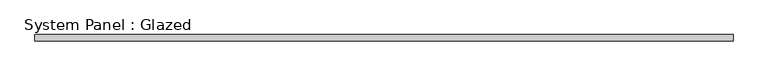
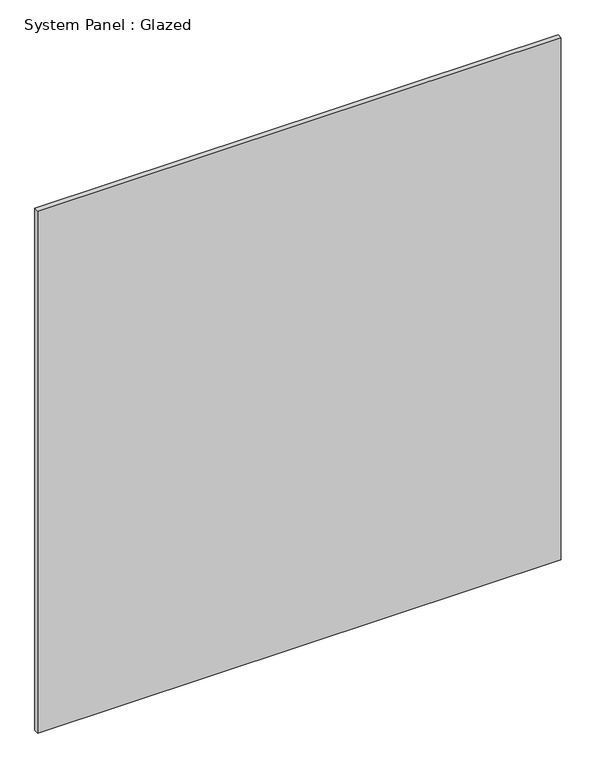
"""IFC4 building model written with IfcOpenShell, lengths in millimetres: plate geometry, System Panel : Glazed."""

import ifcopenshell
import ifcopenshell.guid

model = None  # the IFC model being written
_history = None  # IfcOwnerHistory: only IFC2X3 demands one
_inside = {}  # id of a spatial element -> (the spatial element, [elements in it])
_under = {}  # id of a project, library or spatial element -> (it, [spatial elements below it])
_declared = {}  # id of a project -> (the project, [libraries it declares])
_typed = {}  # id of a type object -> (the type object, [elements of that type])
_made_of = {}  # id of a material, layer set ... -> (it, [elements and type objects made of it])


def new_model(schema):
    """Start an empty IFC model of exactly this schema.

    Asked for "IFC4X3", IfcOpenShell would pick the latest addendum, in which some entities
    have other attributes; the version numbers below select the first issue.
    IFC2X3 requires an IfcOwnerHistory on every rooted entity: one is made here for all.
    """
    global model, _history
    if schema == "IFC4X3":
        model = ifcopenshell.file(schema_version=(4, 3, 0, 0))
    else:
        model = ifcopenshell.file(schema=schema)
    _inside.clear()
    _under.clear()
    _declared.clear()
    _typed.clear()
    _made_of.clear()
    _history = None
    if model.schema == "IFC2X3":
        org = make("IfcOrganization", Name="unknown")
        user = make(
            "IfcPersonAndOrganization",
            ThePerson=make("IfcPerson", FamilyName="unknown"),
            TheOrganization=org,
        )
        app = make(
            "IfcApplication",
            ApplicationDeveloper=org,
            Version="unknown",
            ApplicationFullName="unknown",
            ApplicationIdentifier="unknown",
        )
        _history = make(
            "IfcOwnerHistory",
            OwningUser=user,
            OwningApplication=app,
            ChangeAction="ADDED",
            CreationDate=0,
        )
    return model


def make(cls, **values):
    """One entity of the class cls with the attributes given. An attribute that is None is left unset."""
    return model.create_entity(
        cls, **{name: value for name, value in values.items() if value is not None}
    )


def rooted(cls, **values):
    """An entity with a GlobalId (a new one), such as an element, a storey or a relation."""
    return make(cls, GlobalId=ifcopenshell.guid.new(), OwnerHistory=_history, **values)


def si_unit(unit_type, name, prefix=None):
    """IfcSIUnit, for example si_unit("LENGTHUNIT", "METRE", prefix="MILLI")."""
    return make("IfcSIUnit", UnitType=unit_type, Prefix=prefix, Name=name)


def assignment(units):
    """IfcUnitAssignment: the units of a project."""
    return None if units is None else make("IfcUnitAssignment", Units=units)


def point(xyz):
    """IfcCartesianPoint."""
    return None if xyz is None else make("IfcCartesianPoint", Coordinates=xyz)


def direction(xyz):
    """IfcDirection."""
    return None if xyz is None else make("IfcDirection", DirectionRatios=xyz)


def frame(location, z_axis=None, x_axis=None):
    """IfcAxis2Placement3D, a coordinate frame: its origin and axes. An axis left out is left unset."""
    return make(
        "IfcAxis2Placement3D",
        Location=point(location),
        Axis=direction(z_axis),
        RefDirection=direction(x_axis),
    )


def origin():
    """The frame at (0, 0, 0) with its axes left unset."""
    return frame((0.0, 0.0, 0.0))


def origin_with_axes():
    """The frame at (0, 0, 0) with the z axis (0, 0, 1) and the x axis (1, 0, 0) written out."""
    return frame((0.0, 0.0, 0.0), z_axis=(0.0, 0.0, 1.0), x_axis=(1.0, 0.0, 0.0))


def place(relative_to, where):
    """IfcLocalPlacement: puts the frame where relative to a parent placement (None: the world)."""
    return make(
        "IfcLocalPlacement", PlacementRelTo=relative_to, RelativePlacement=where
    )


def context(
    kind, dimensions, precision=None, world=None, true_north=None, identifier=None
):
    """IfcGeometricRepresentationContext, for example the 3D "Model" context."""
    return make(
        "IfcGeometricRepresentationContext",
        ContextIdentifier=identifier,
        ContextType=kind,
        CoordinateSpaceDimension=dimensions,
        Precision=precision,
        WorldCoordinateSystem=world,
        TrueNorth=true_north,
    )


def project(units=None, contexts=None):
    """IfcProject with its units and contexts."""
    return rooted(
        "IfcProject",
        Name="project",
        RepresentationContexts=contexts,
        UnitsInContext=assignment(units),
    )


def spatial(cls, under=None, at=None, **own):
    """A site, building, storey or space (cls), placed at a placement, below another one or the project."""
    s = rooted(cls, ObjectPlacement=at, **own)
    if under is not None:
        _under.setdefault(under.id(), (under, []))[1].append(s)
    return s


def polyline(points):
    """IfcPolyline through the points."""
    return make("IfcPolyline", Points=[point(p) for p in points])


def outline(outer, holes=None, kind="AREA"):
    """IfcArbitraryClosedProfileDef: a profile drawn as a closed curve; with holes, ...WithVoids."""
    if holes is None:
        return make("IfcArbitraryClosedProfileDef", ProfileType=kind, OuterCurve=outer)
    return make(
        "IfcArbitraryProfileDefWithVoids",
        ProfileType=kind,
        OuterCurve=outer,
        InnerCurves=holes,
    )


def extrude(swept, where, along, depth):
    """IfcExtrudedAreaSolid: the profile swept, set in the frame where, extruded along a direction by depth."""
    return make(
        "IfcExtrudedAreaSolid",
        SweptArea=swept,
        Position=where,
        ExtrudedDirection=direction(along),
        Depth=depth,
    )


def shape(context_of_items, identifier, shape_type, items):
    """IfcShapeRepresentation: the items that make up one representation, for example the "Body"."""
    return make(
        "IfcShapeRepresentation",
        ContextOfItems=context_of_items,
        RepresentationIdentifier=identifier,
        RepresentationType=shape_type,
        Items=items,
    )


def source(mapping_origin, context_of_items, identifier, shape_type, items):
    """IfcRepresentationMap: a shape defined once, which mapped items show again and again."""
    return make(
        "IfcRepresentationMap",
        MappingOrigin=mapping_origin,
        MappedRepresentation=shape(context_of_items, identifier, shape_type, items),
    )


def transform(
    local_origin,
    x_axis=None,
    y_axis=None,
    z_axis=None,
    scale=None,
    scale2=None,
    scale3=None,
    uniform=True,
):
    """IfcCartesianTransformationOperator3D, or its non-uniform kind. x_axis, y_axis, z_axis: its Axis1, 2, 3."""
    if uniform:
        return make(
            "IfcCartesianTransformationOperator3D",
            Axis1=direction(x_axis),
            Axis2=direction(y_axis),
            LocalOrigin=point(local_origin),
            Scale=scale,
            Axis3=direction(z_axis),
        )
    return make(
        "IfcCartesianTransformationOperator3DnonUniform",
        Axis1=direction(x_axis),
        Axis2=direction(y_axis),
        LocalOrigin=point(local_origin),
        Scale=scale,
        Axis3=direction(z_axis),
        Scale2=scale2,
        Scale3=scale3,
    )


def mapped(mapping_source, mapping_target):
    """IfcMappedItem: shows the shape of a source again, moved by a transform."""
    return make(
        "IfcMappedItem", MappingSource=mapping_source, MappingTarget=mapping_target
    )


def made_of(thing, what):
    """Note that an element or type object is made of a material, layer set ...; save() writes the relation."""
    if what is not None:
        _made_of.setdefault(what.id(), (what, []))[1].append(thing)
    return thing


def element(
    cls,
    number,
    at=None,
    inside=None,
    cuts=None,
    type_object=None,
    material=None,
    context=None,
    identifier="Body",
    shape_type=None,
    held_by="IfcProductDefinitionShape",
    body=None,
    shapes=None,
    **own,
):
    """One element of the class cls, such as IfcWall. Its Tag is "e" and its number.

    at: its placement. inside: the storey or other place that contains it. cuts: it is an
    opening in that element (IfcRelVoidsElement). A single representation is given by context,
    identifier, shape_type and body (its items); several are given by shapes. held_by: the class
    of the entity that holds the representations. save() writes the other relations.
    """
    e = rooted(cls, Tag="e%d" % number, ObjectPlacement=at, **own)
    if body is not None:
        shapes = [shape(context, identifier, shape_type, body)]
    if shapes is not None:
        e.Representation = make(held_by, Representations=shapes)
    if inside is not None:
        _inside.setdefault(inside.id(), (inside, []))[1].append(e)
    if cuts is not None:
        rooted(
            "IfcRelVoidsElement", RelatingBuildingElement=cuts, RelatedOpeningElement=e
        )
    if type_object is not None:
        _typed.setdefault(type_object.id(), (type_object, []))[1].append(e)
    return made_of(e, material)


def aggregate(whole, parts):
    """IfcRelAggregates: a whole, such as a stair, and the parts it consists of."""
    return rooted("IfcRelAggregates", RelatingObject=whole, RelatedObjects=parts)


def save(model, path):
    """Write the relations noted so far, then the file.

    IfcRelAggregates (storeys below a building ...), IfcRelContainedInSpatialStructure (elements
    in a storey), IfcRelDefinesByType, IfcRelAssociatesMaterial and IfcRelDeclares: one each for
    every whole, place, type object, material and project.
    """
    for whole, parts in _under.values():
        aggregate(whole, parts)
    for where, things in _inside.values():
        rooted(
            "IfcRelContainedInSpatialStructure",
            RelatedElements=things,
            RelatingStructure=where,
        )
    for kind, things in _typed.values():
        rooted("IfcRelDefinesByType", RelatedObjects=things, RelatingType=kind)
    for what, things in _made_of.values():
        rooted("IfcRelAssociatesMaterial", RelatedObjects=things, RelatingMaterial=what)
    for by, libraries in _declared.values():
        rooted("IfcRelDeclares", RelatingContext=by, RelatedDefinitions=libraries)
    model.write(path)


def system_panel_glazed_fe001dc8(model_context):
    return source(origin(), model_context, "Body", "SweptSolid", [
        extrude(outline(polyline([(1422.4, -44.45), (-1422.4, -44.45), (-1422.4, -19.05), (1422.4, -19.05), (1422.4, -44.45)])), origin_with_axes(), (0.0, 0.0, 1.0), 2997.2),
    ])


if __name__ == "__main__":
    model = new_model("IFC4")
    model_context = context("Model", 3, world=origin())
    ifc_project = project(units=[si_unit("LENGTHUNIT", "METRE", prefix="MILLI")], contexts=[model_context])
    site = spatial("IfcSite", under=ifc_project)
    building = spatial("IfcBuilding", under=site)
    placement = place(None, origin())
    system_panel_glazed_shape = system_panel_glazed_fe001dc8(model_context)
    element("IfcPlate", 1, ObjectType="System Panel : Glazed", at=placement, inside=building, context=model_context, shape_type="MappedRepresentation", body=[
        mapped(system_panel_glazed_shape, transform((0.0, 0.0, 0.0), x_axis=(1.0, 0.0, 0.0), y_axis=(0.0, 1.0, 0.0), z_axis=(0.0, 0.0, 1.0))),
    ])
    save(model, "model.ifc")
